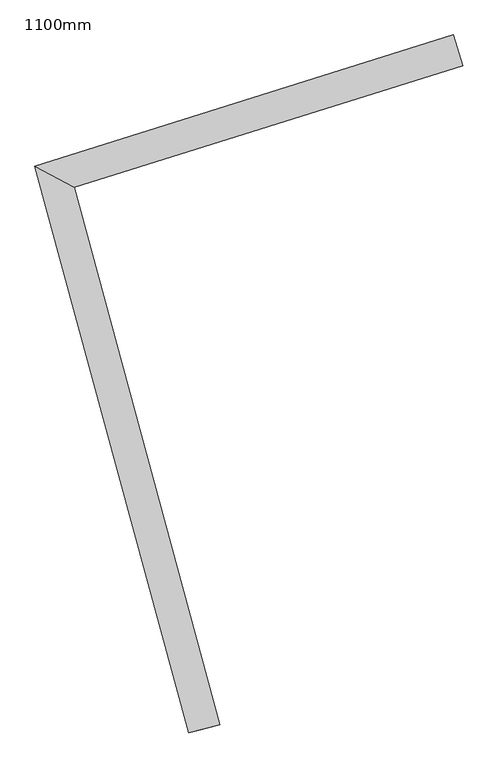
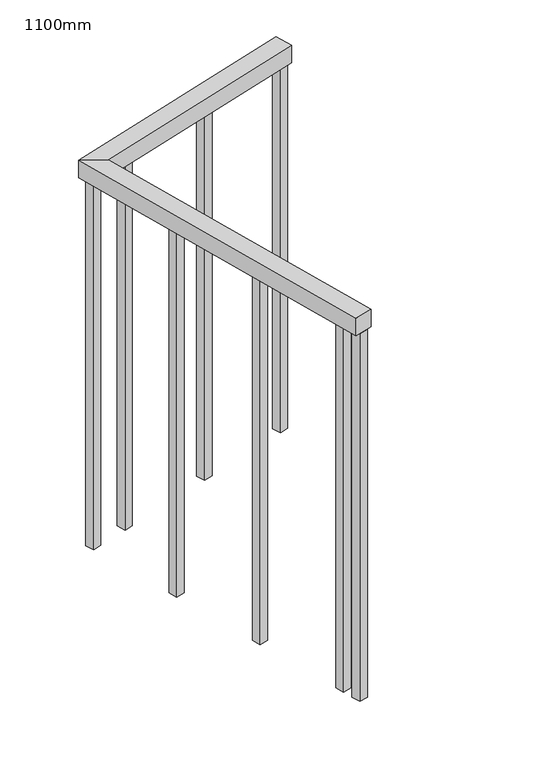
"""IFC4 building model written with IfcOpenShell, lengths in millimetres: railing geometry, 1100mm."""

from ifc_helpers import new_model, si_unit, frame, origin, place, context, project, spatial, polyline, outline, extrude, faceted_brep, source, transform, mapped, element, save


def railing_1100mm_6fecf8de(model_context):
    return source(origin(), model_context, "Body", "SolidModel", [
        faceted_brep([(250998.1819129, 53406.9134523, 1700.0), (250998.1819129, 53406.9134523, 1650.0), (250983.220019, 53454.6223794, 1650.0), (250983.220019, 53454.6223794, 1700.0), (250331.9763258, 53250.387246, 1700.0), (250392.8448016, 53217.0749832, 1700.0), (250331.9763258, 53250.387246, 1650.0), (250392.8448016, 53217.0749832, 1650.0), (250620.1414905, 52380.8255236, 1700.0), (250571.8920199, 52367.7110818, 1700.0), (250571.8920199, 52367.7110818, 1650.0), (250620.1414905, 52380.8255236, 1650.0)], [[[0, 1, 2, 3]], [[0, 3, 4, 5]], [[3, 2, 6, 4]], [[2, 1, 7, 6]], [[1, 0, 5, 7]], [[8, 9, 10, 11]], [[5, 4, 9, 8]], [[4, 6, 10, 9]], [[6, 7, 11, 10]], [[7, 5, 8, 11]]]),
        extrude(outline(polyline([(250587.5826114, 52452.9558276), (250594.1398324, 52428.8310923), (250570.0150971, 52422.2738713), (250563.4578761, 52446.3986066), (250587.5826114, 52452.9558276)])), frame((0.0, 0.0, 600.0), z_axis=(0.0, 0.0, 1.0), x_axis=(1.0, 0.0, 0.0)), (0.0, 0.0, 1.0), 1050.0),
        extrude(outline(polyline([(250515.4531813, 52718.327916), (250522.0104022, 52694.2031807), (250497.8856669, 52687.6459597), (250491.328446, 52711.770695), (250515.4531813, 52718.327916)])), frame((0.0, 0.0, 600.0), z_axis=(0.0, 0.0, 1.0), x_axis=(1.0, 0.0, 0.0)), (0.0, 0.0, 1.0), 1050.0),
        extrude(outline(polyline([(250443.3237511, 52983.7000044), (250449.880972, 52959.5752691), (250425.7562367, 52953.0180481), (250419.1990158, 52977.1427834), (250443.3237511, 52983.7000044)])), frame((0.0, 0.0, 600.0), z_axis=(0.0, 0.0, 1.0), x_axis=(1.0, 0.0, 0.0)), (0.0, 0.0, 1.0), 1050.0),
        extrude(outline(polyline([(250481.5704727, 53258.0003237), (250457.7160092, 53250.5193767), (250450.2350622, 53274.3738403), (250474.0895258, 53281.8547873), (250481.5704727, 53258.0003237)])), frame((0.0, 0.0, 600.0), z_axis=(0.0, 0.0, 1.0), x_axis=(1.0, 0.0, 0.0)), (0.0, 0.0, 1.0), 1050.0),
        extrude(outline(polyline([(250743.969572, 53340.2907406), (250720.1151084, 53332.8097936), (250712.6341614, 53356.6642572), (250736.488625, 53364.1452042), (250743.969572, 53340.2907406)])), frame((0.0, 0.0, 600.0), z_axis=(0.0, 0.0, 1.0), x_axis=(1.0, 0.0, 0.0)), (0.0, 0.0, 1.0), 1050.0),
        extrude(outline(polyline([(250378.078269, 53225.5443564), (250354.2238054, 53218.0634094), (250346.7428584, 53241.9178729), (250370.597322, 53249.3988199), (250378.078269, 53225.5443564)])), frame((0.0, 0.0, 600.0), z_axis=(0.0, 0.0, 1.0), x_axis=(1.0, 0.0, 0.0)), (0.0, 0.0, 1.0), 1050.0),
        extrude(outline(polyline([(250601.5219019, 52401.6716485), (250608.0791228, 52377.5469131), (250583.9543875, 52370.9896922), (250577.3971666, 52395.1144275), (250601.5219019, 52401.6716485)])), frame((0.0, 0.0, 600.0), z_axis=(0.0, 0.0, 1.0), x_axis=(1.0, 0.0, 0.0)), (0.0, 0.0, 1.0), 1050.0),
        extrude(outline(polyline([(250994.4414394, 53418.840684), (250970.5869759, 53411.359737), (250963.1060289, 53435.2142006), (250986.9604925, 53442.6951476), (250994.4414394, 53418.840684)])), frame((0.0, 0.0, 600.0), z_axis=(0.0, 0.0, 1.0), x_axis=(1.0, 0.0, 0.0)), (0.0, 0.0, 1.0), 1050.0),
    ])


if __name__ == "__main__":
    model = new_model("IFC4")
    model_context = context("Model", 3, world=origin())
    ifc_project = project(units=[si_unit("LENGTHUNIT", "METRE", prefix="MILLI")], contexts=[model_context])
    site = spatial("IfcSite", under=ifc_project)
    building = spatial("IfcBuilding", under=site)
    placement = place(None, origin())
    railing_1100mm_shape = railing_1100mm_6fecf8de(model_context)
    element("IfcRailing", 1, ObjectType="1100mm", at=placement, inside=building, context=model_context, shape_type="MappedRepresentation", body=[
        mapped(railing_1100mm_shape, transform((0.0, 0.0, 0.0), x_axis=(1.0, 0.0, 0.0), y_axis=(0.0, 1.0, 0.0), z_axis=(0.0, 0.0, 1.0))),
    ])
    save(model, "model.ifc")
